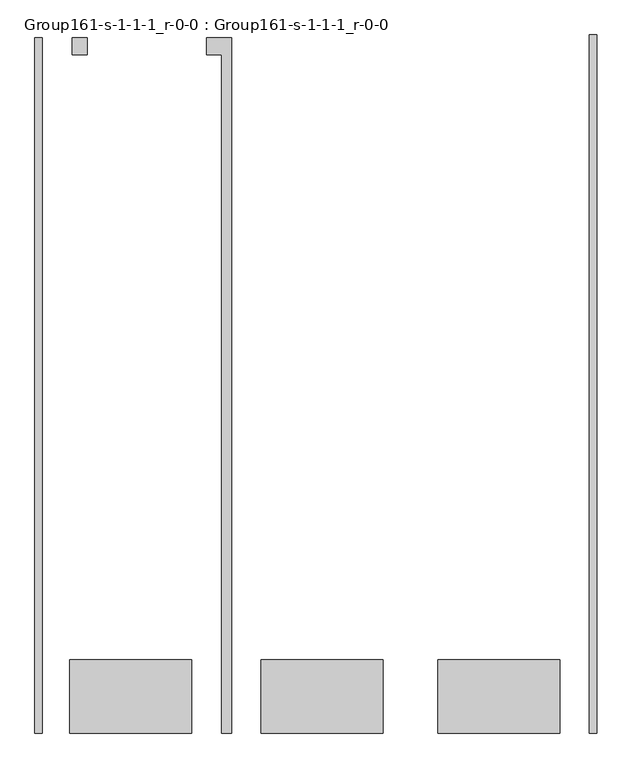
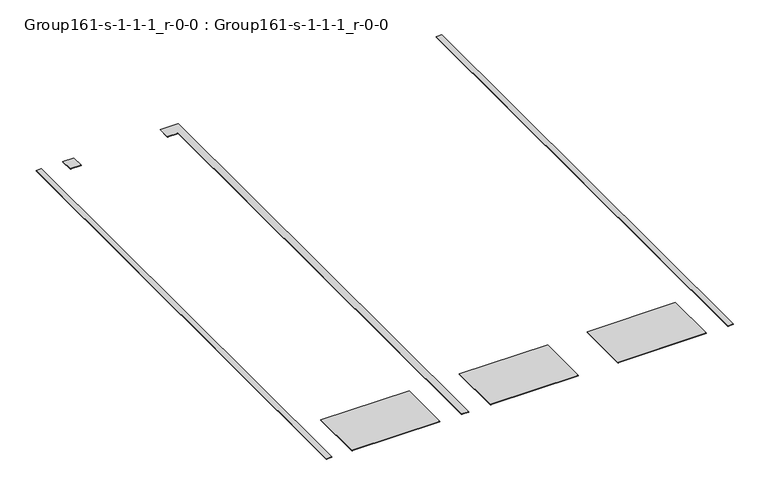
"""IFC4 building model written with IfcOpenShell, lengths in millimetres: geographic element geometry, Group161-s-1-1-1_r-0-0 : Group161-s-1-1-1_r-0-0."""

from ifc_helpers import new_model, si_unit, origin, place, context, project, spatial, triangles, source, transform, mapped, element, save


def group161_s_1_1_1_r_0_0_group161_s_1_1_1_r_0_0_e3ccc035(model_context):
    return source(origin(), model_context, "Body", "Tessellation", [
        triangles([(84993.2121094, 10584.7318268, 0.0), (80014.8090088, 7587.531633, 0.0), (80014.8090088, 10584.7318268, 0.0), (84993.2121094, 7587.531633, 0.0), (72903.8244507, 35980.666571, 0.0), (72294.2244507, 35273.5306641, 0.0), (72294.2244507, 35980.666571, 0.0), (72903.8244507, 35273.5306641, 0.0), (93730.8090088, 36087.3484314, 0.0), (93426.0090088, 7587.531633, 0.0), (93426.0090088, 36087.3484314, 0.0), (93730.8090088, 7587.531633, 0.0), (77171.0244507, 10584.7318268, 0.0), (72192.626001, 7587.531633, 0.0), (72192.626001, 10584.7318268, 0.0), (77171.0244507, 7587.531633, 0.0), (78795.6090088, 35980.666571, 0.0), (77780.6244507, 35273.5306641, 0.0), (77780.6244507, 35980.666571, 0.0), (78390.2291016, 35273.5306641, 0.0), (78390.2291016, 7587.531633, 0.0), (78795.6090088, 7587.531633, 0.0), (71075.0244507, 35980.666571, 0.0), (70770.2244507, 7587.531633, 0.0), (70770.2244507, 35980.666571, 0.0), (71075.0244507, 7587.531633, 0.0), (92206.8090088, 10584.7318268, 0.0), (87228.4059082, 7587.531633, 0.0), (87228.4059082, 10584.7318268, 0.0), (92206.8090088, 7587.531633, 0.0), (77171.0244507, 7587.531633, 25.4000008), (72192.626001, 10584.7318268, 25.4000008), (72192.626001, 7587.531633, 25.4000008), (77171.0244507, 10584.7318268, 25.4000008), (71075.0244507, 7587.531633, 25.4000008), (70770.2244507, 35980.666571, 25.4000008), (70770.2244507, 7587.531633, 25.4000008), (71075.0244507, 35980.666571, 25.4000008), (84993.2121094, 7587.531633, 25.4000008), (80014.8090088, 10584.7318268, 25.4000008), (80014.8090088, 7587.531633, 25.4000008), (84993.2121094, 10584.7318268, 25.4000008), (78795.6090088, 7587.531633, 25.4000008), (78390.2291016, 35273.5306641, 25.4000008), (78390.2291016, 7587.531633, 25.4000008), (77780.6244507, 35980.666571, 25.4000008), (77780.6244507, 35273.5306641, 25.4000008), (78795.6090088, 35980.666571, 25.4000008), (87228.4059082, 7587.531633, 25.4000008), (92206.8090088, 10584.7318268, 25.4000008), (87228.4059082, 10584.7318268, 25.4000008), (92206.8090088, 7587.531633, 25.4000008), (93730.8090088, 7587.531633, 25.4000008), (93426.0090088, 36087.3484314, 25.4000008), (93426.0090088, 7587.531633, 25.4000008), (93730.8090088, 36087.3484314, 25.4000008), (72903.8244507, 35273.5306641, 25.4000008), (72294.2244507, 35980.666571, 25.4000008), (72294.2244507, 35273.5306641, 25.4000008), (72903.8244507, 35980.666571, 25.4000008)], [[1, 2, 3], [2, 1, 4], [5, 6, 7], [6, 5, 8], [9, 10, 11], [10, 9, 12], [13, 14, 15], [14, 13, 16], [17, 18, 19], [18, 17, 20], [20, 17, 21], [21, 17, 22], [23, 24, 25], [24, 23, 26], [27, 28, 29], [28, 27, 30], [31, 32, 33], [32, 31, 34], [32, 13, 15], [13, 32, 34], [32, 14, 33], [14, 32, 15], [31, 14, 16], [14, 31, 33], [13, 31, 16], [31, 13, 34], [35, 36, 37], [36, 35, 38], [35, 24, 26], [24, 35, 37], [23, 35, 26], [35, 23, 38], [36, 23, 25], [23, 36, 38], [36, 24, 37], [24, 36, 25], [39, 40, 41], [40, 39, 42], [1, 39, 4], [39, 1, 42], [40, 1, 3], [1, 40, 42], [40, 2, 41], [2, 40, 3], [39, 2, 4], [2, 39, 41], [43, 44, 45], [44, 46, 47], [46, 44, 48], [48, 44, 43], [44, 18, 20], [18, 44, 47], [44, 21, 45], [21, 44, 20], [43, 21, 22], [21, 43, 45], [17, 43, 22], [43, 17, 48], [46, 17, 19], [17, 46, 48], [46, 18, 47], [18, 46, 19], [49, 50, 51], [50, 49, 52], [51, 28, 49], [28, 51, 29], [52, 28, 30], [28, 52, 49], [27, 52, 30], [52, 27, 50], [51, 27, 29], [27, 51, 50], [53, 54, 55], [54, 53, 56], [54, 9, 11], [9, 54, 56], [54, 10, 55], [10, 54, 11], [53, 10, 12], [10, 53, 55], [9, 53, 12], [53, 9, 56], [57, 58, 59], [58, 57, 60], [57, 6, 8], [6, 57, 59], [5, 57, 8], [57, 5, 60], [58, 5, 7], [5, 58, 60], [58, 6, 59], [6, 58, 7]]),
    ])


if __name__ == "__main__":
    model = new_model("IFC4")
    model_context = context("Model", 3, world=origin())
    ifc_project = project(units=[si_unit("LENGTHUNIT", "METRE", prefix="MILLI")], contexts=[model_context])
    site = spatial("IfcSite", under=ifc_project)
    building = spatial("IfcBuilding", under=site)
    placement = place(None, origin())
    group161_s_1_1_1_r_0_0_group161_s_1_1_1_r_0_0_shape = group161_s_1_1_1_r_0_0_group161_s_1_1_1_r_0_0_e3ccc035(model_context)
    element("IfcGeographicElement", 1, ObjectType="Group161-s-1-1-1_r-0-0 : Group161-s-1-1-1_r-0-0", at=placement, inside=building, context=model_context, shape_type="MappedRepresentation", body=[
        mapped(group161_s_1_1_1_r_0_0_group161_s_1_1_1_r_0_0_shape, transform((0.0, 0.0, 0.0), x_axis=(1.0, 0.0, 0.0), y_axis=(0.0, 1.0, 0.0), z_axis=(0.0, 0.0, 1.0))),
    ])
    save(model, "model.ifc")
